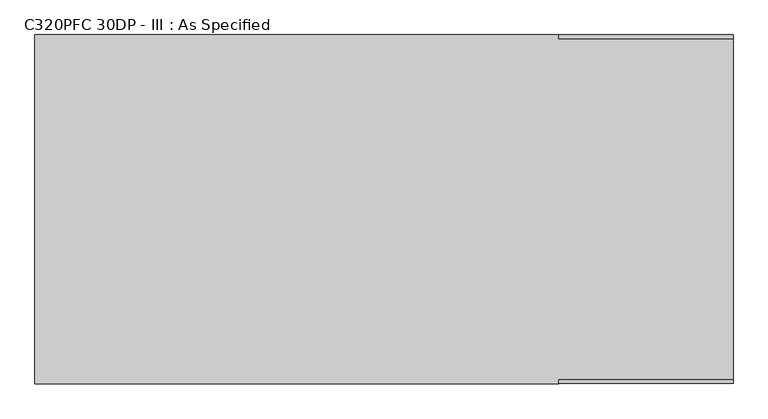
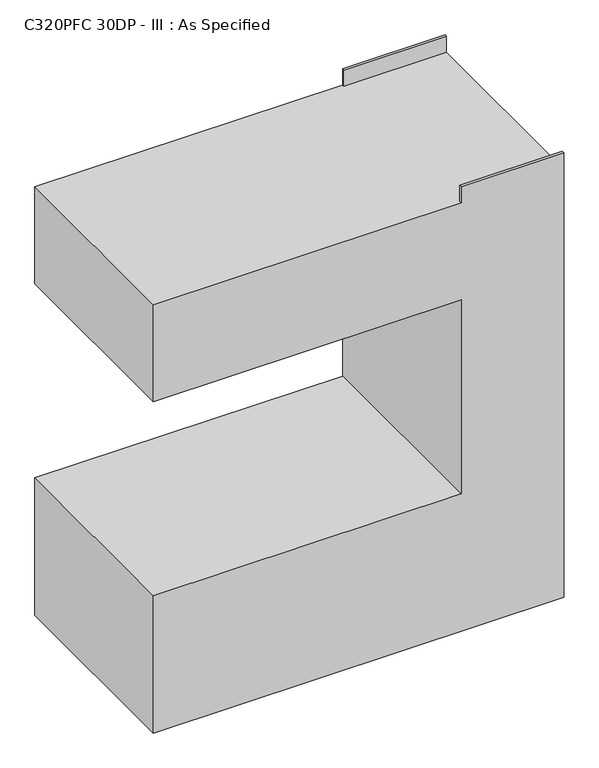
"""IFC4 building model written with IfcOpenShell, lengths in millimetres: proxy geometry, C320PFC 30DP - III : As Specified."""

from ifc_helpers import new_model, si_unit, frame, origin, place, context, project, spatial, polyline, outline, extrude, faceted_brep, source, transform, mapped, element, save


def c320pfc_30dp_iii_as_specified_06fc9f0d(model_context):
    return source(origin(), model_context, "Body", "SolidModel", [
        extrude(outline(polyline([(304.8, 298.45), (304.8, 304.8), (609.6, 304.8), (609.6, 298.45), (304.8, 298.45)])), frame((0.0, 0.0, 1346.2), z_axis=(0.0, 0.0, 1.0), x_axis=(1.0, 0.0, 0.0)), (0.0, 0.0, 1.0), 50.8),
        faceted_brep([(609.6, 304.8, 1346.2), (-609.6, 304.8, 1346.2), (-609.6, -304.8, 1346.2), (304.8, -304.8, 1346.2), (304.8, -298.45, 1346.2), (609.6, -298.45, 1346.2), (609.6, 304.8, 0.0), (609.6, -304.8, 0.0), (-609.6, -304.8, 0.0), (-609.6, 304.8, 0.0), (-609.6, 304.8, 431.8), (304.8, 304.8, 431.8), (304.8, 304.8, 1041.4), (-609.6, 304.8, 1041.4), (-609.6, -304.8, 1041.4), (-609.6, -304.8, 431.8), (609.6, -304.8, 1397.0), (304.8, -304.8, 1397.0), (304.8, -304.8, 1041.4), (304.8, -304.8, 431.8), (609.6, -298.45, 1397.0), (304.8, -298.45, 1397.0)], [[[0, 1, 2, 3, 4, 5]], [[6, 7, 8, 9]], [[1, 0, 6, 9, 10, 11, 12, 13]], [[2, 1, 13, 14]], [[9, 8, 15, 10]], [[8, 7, 16, 17, 3, 2, 14, 18, 19, 15]], [[16, 7, 6, 0, 5, 20]], [[19, 11, 10, 15]], [[11, 19, 18, 12]], [[12, 18, 14, 13]], [[17, 21, 4, 3]], [[21, 17, 16, 20]], [[4, 21, 20, 5]]]),
    ])


if __name__ == "__main__":
    model = new_model("IFC4")
    model_context = context("Model", 3, world=origin())
    ifc_project = project(units=[si_unit("LENGTHUNIT", "METRE", prefix="MILLI")], contexts=[model_context])
    site = spatial("IfcSite", under=ifc_project)
    building = spatial("IfcBuilding", under=site)
    placement = place(None, origin())
    c320pfc_30dp_iii_as_specified_shape = c320pfc_30dp_iii_as_specified_06fc9f0d(model_context)
    element("IfcBuildingElementProxy", 1, Name="C320PFC 30DP - III : As Specified", ObjectType="C320PFC 30DP - III : As Specified", at=placement, inside=building, context=model_context, shape_type="MappedRepresentation", body=[
        mapped(c320pfc_30dp_iii_as_specified_shape, transform((0.0, 0.0, 0.0), x_axis=(1.0, 0.0, 0.0), y_axis=(0.0, 1.0, 0.0), z_axis=(0.0, 0.0, 1.0))),
    ])
    save(model, "model.ifc")
